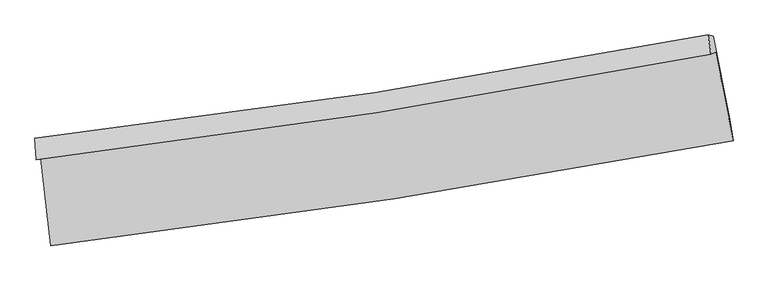
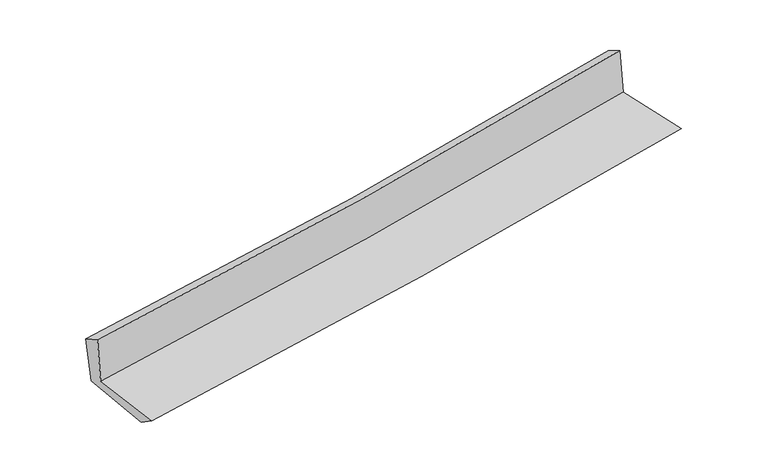
"""IFC4 building model written with IfcOpenShell, lengths in millimetres: proxy geometry."""

from ifc_helpers import new_model, si_unit, frame, origin, place, context, project, spatial, source, transform, mapped, element, save
from ifc_brep_helpers import plane_surface, spline_curve, spline_surface, advanced_brep


def generic_models_9a024622(model_context):
    return source(origin(), model_context, "Body", "AdvancedBrep", [
        advanced_brep(
        [(-2601.9483423, -1885.1328107, 1643.2743327), (-2527.4813604, -2553.0558136, 1647.0188636), (2677.6975013, -1751.7791515, 2105.9408541), (2543.7266323, -1077.672603, 2091.5672693), (-2636.2819098, -1897.9762403, 2051.9807037), (2508.8698923, -1090.7117398, 2506.5014791), (-2647.1898946, -1733.7244921, 1966.4605876), (2486.8322566, -944.3346375, 2425.2824735), (-2610.3154686, -1751.1302164, 1567.4255011), (2525.0012596, -954.8180262, 2025.9372716), (-2535.6854063, -2398.67224, 1543.2308134), (2653.9834461, -1588.9835278, 2006.8039482)],
        [
            (0, 1),
            (1, 2, spline_curve(3, [(-2527.4813604, -2553.0558136, 1647.0188636), (-1652.448674706, -2448.140230282, 1726.004429498), (-779.331136097, -2328.563382921, 1803.898705327), (955.696186463, -2061.223906509, 1956.854297921), (1817.638268419, -1913.708533281, 2031.934019207), (2677.6975013, -1751.7791515, 2105.9408541)], [4, 2, 4], [0.0, 8.66209826107237, 17.25084469305735])),
            (2, 3),
            (3, 0, spline_curve(3, [(2543.7266323, -1077.672603, 2091.5672693), (1694.651359996, -1241.799375189, 2017.461456548), (843.141188231, -1390.929038351, 1943.210274112), (-872.042035132, -1660.339698904, 1793.781788649), (-1735.756855298, -1780.363438692, 1718.601992384), (-2601.9483423, -1885.1328107, 1643.2743327)], [4, 2, 4], [0.0, 8.58874643198498, 17.25084469305735])),
            (4, 0),
            (3, 5),
            (5, 4, spline_curve(3, [(2508.8698923, -1090.7117398, 2506.5014791), (1660.263966169, -1254.662940103, 2426.808575141), (809.032693221, -1403.688273238, 2349.237386523), (-905.97287271, -1673.032476033, 2197.694065606), (-1769.792200481, -1793.095309876, 2123.758329328), (-2636.2819098, -1897.9762403, 2051.9807037)], [4, 2, 4], [0.0, 8.54102153776372, 17.154987312155107])),
            (6, 4),
            (5, 7),
            (7, 6, spline_curve(3, [(2486.8322566, -944.3346375, 2425.2824735), (1640.369918958, -1106.98804835, 2343.241817201), (791.134597848, -1253.884814367, 2264.136376374), (-920.158551676, -1517.285053143, 2111.14539761), (-1782.263947726, -1633.518238725, 2037.310209708), (-2647.1898946, -1733.7244921, 1966.4605876)], [4, 2, 4], [0.0, 8.530254397400018, 17.133361075116504])),
            (8, 6),
            (7, 9),
            (9, 8, spline_curve(3, [(2525.0012596, -954.8180262, 2025.9372716), (1678.113901669, -1120.540976636, 1950.507156982), (828.558201193, -1269.551004447, 1874.746664963), (-883.168269132, -1535.275092236, 1721.915075355), (-1745.384811211, -1651.702461282, 1644.838310609), (-2610.3154686, -1751.1302164, 1567.4255011)], [4, 2, 4], [0.0, 8.521429209909712, 17.11563532899185])),
            (10, 8),
            (9, 11),
            (11, 10, spline_curve(3, [(2653.9834461, -1588.9835278, 2006.8039482), (1798.474554936, -1762.261310574, 1930.323169493), (940.098850797, -1916.170066974, 1853.616910815), (-789.741589837, -2186.398557954, 1699.09640029), (-1661.255502932, -2302.386038901, 1621.27828092), (-2535.6854063, -2398.67224, 1543.2308134)], [4, 2, 4], [0.0, 8.569460044668599, 17.21210720384169])),
            (1, 10),
            (11, 2),
        ],
        [
            spline_surface(3, 3, [[(-2601.9483423, -1885.1328107, 1643.2743327), (-1735.756855247, -1780.363438596, 1718.601992459), (-872.042035272, -1660.33969904, 1793.781788782), (843.14118837, -1390.929038216, 1943.21027398), (1694.651359893, -1241.799375226, 2017.461456557), (2543.7266323, -1077.672603, 2091.5672693)], [(-2577.126014984, -2107.773811652, 1644.522509669), (-1707.987461719, -2002.955702508, 1721.069471486), (-841.138402194, -1883.080927027, 1797.154094255), (880.659521047, -1614.360660973, 1947.758281952), (1735.646996022, -1465.769094536, 2022.285644076), (2588.383588623, -1302.374785835, 2096.358464249)], [(-2552.303687716, -2330.414812648, 1645.770686631), (-1680.218068239, -2225.547966464, 1723.536950504), (-810.234769114, -2105.822154985, 1800.526399803), (918.177853726, -1837.792283702, 1952.30629), (1776.642632182, -1689.738813841, 2027.109831548), (2633.040544977, -1527.076968665, 2101.149659151)], [(-2527.4813604, -2553.0558136, 1647.0188636), (-1652.448674711, -2448.140230377, 1726.00442953), (-779.331136036, -2328.563382972, 1803.898705276), (955.696186403, -2061.22390646, 1956.854297972), (1817.638268312, -1913.708533152, 2031.934019067), (2677.6975013, -1751.7791515, 2105.9408541)]], [4, 4], [4, 2, 4], [0.0, 2.221671884957408], [0.0, 8.66209826107237, 17.25084469305735]),
            spline_surface(3, 3, [[(-2636.2819098, -1897.9762403, 2051.9807037), (-1769.792200498, -1793.095309838, 2123.75832943), (-905.972872697, -1673.03247613, 2197.694065697), (809.032693209, -1403.688273142, 2349.237386433), (1660.26396606, -1254.662939987, 2426.80857528), (2508.8698923, -1090.7117398, 2506.5014791)], [(-2624.8373873, -1893.695097117, 1915.745246719), (-1758.447085414, -1788.851352774, 1988.706217125), (-894.662593559, -1668.801550424, 2063.056640065), (820.402191592, -1399.435194825, 2213.895015622), (1671.726430665, -1250.375085059, 2290.359535697), (2520.488805627, -1086.365360859, 2368.190075825)], [(-2613.3928648, -1889.413953883, 1779.509789681), (-1747.10197033, -1784.60739566, 1853.654104764), (-883.35231441, -1664.570624745, 1928.419214413), (831.771689987, -1395.182116533, 2078.552644791), (1683.188895288, -1246.087230154, 2153.910496139), (2532.107718973, -1082.018981941, 2229.878672575)], [(-2601.9483423, -1885.1328107, 1643.2743327), (-1735.756855247, -1780.363438596, 1718.601992459), (-872.042035272, -1660.33969904, 1793.781788782), (843.14118837, -1390.929038216, 1943.21027398), (1694.651359893, -1241.799375226, 2017.461456557), (2543.7266323, -1077.672603, 2091.5672693)]], [4, 4], [4, 2, 4], [0.0, 1.3339448870321868], [0.0, 8.613965774391387, 17.154987312155107]),
            spline_surface(3, 3, [[(-2647.1898946, -1733.7244921, 1966.4605876), (-1782.263947833, -1633.518238717, 2037.310209682), (-920.158551776, -1517.285053129, 2111.145397543), (791.134597948, -1253.884814381, 2264.13637644), (1640.369918933, -1106.988048439, 2343.241817214), (2486.8322566, -944.3346375, 2425.2824735)], [(-2643.553899669, -1788.475074822, 1994.967292962), (-1778.106698724, -1686.710595746, 2066.126249594), (-915.429992107, -1569.200860779, 2139.994953588), (797.100629677, -1303.819300617, 2292.503379764), (1647.001267985, -1156.213012294, 2371.097403243), (2494.178135176, -993.127004939, 2452.355475374)], [(-2639.917904731, -1843.225657578, 2023.473998338), (-1773.949449607, -1739.902952808, 2094.942289519), (-910.701432366, -1621.11666848, 2168.844509652), (803.066661479, -1353.753786906, 2320.870383109), (1653.632617008, -1205.437976132, 2398.952989251), (2501.524013724, -1041.919372361, 2479.428477226)], [(-2636.2819098, -1897.9762403, 2051.9807037), (-1769.792200498, -1793.095309838, 2123.75832943), (-905.972872697, -1673.03247613, 2197.694065697), (809.032693209, -1403.688273142, 2349.237386433), (1660.26396606, -1254.662939987, 2426.80857528), (2508.8698923, -1090.7117398, 2506.5014791)]], [4, 4], [4, 2, 4], [0.0, 0.5773892384676846], [0.0, 8.603106677716486, 17.133361075116504]),
            spline_surface(3, 3, [[(-2610.3154686, -1751.1302164, 1567.4255011), (-1745.384811284, -1651.702461233, 1644.838310525), (-883.16826916, -1535.275092254, 1721.915075371), (828.558201221, -1269.551004429, 1874.746664947), (1678.113901802, -1120.540976728, 1950.507156958), (2525.0012596, -954.8180262, 2025.9372716)], [(-2622.606943925, -1745.328308293, 1700.437196592), (-1757.677856791, -1645.641053721, 1775.662276903), (-895.498363357, -1529.278412559, 1851.658516113), (816.083666805, -1264.328941093, 2004.543235462), (1665.532574185, -1116.023333983, 2081.41871038), (2512.278258606, -951.323563317, 2159.052338903)], [(-2634.898419275, -1739.526400207, 1833.448892108), (-1769.970902325, -1639.579646229, 1906.486243304), (-907.828457579, -1523.281732824, 1981.401956802), (803.609132364, -1259.106877716, 2134.339805925), (1652.95124655, -1111.505691185, 2212.330263793), (2499.555257594, -947.829100383, 2292.167406197)], [(-2647.1898946, -1733.7244921, 1966.4605876), (-1782.263947833, -1633.518238717, 2037.310209682), (-920.158551776, -1517.285053129, 2111.145397543), (791.134597948, -1253.884814381, 2264.13637644), (1640.369918933, -1106.988048439, 2343.241817214), (2486.8322566, -944.3346375, 2425.2824735)]], [4, 4], [4, 2, 4], [0.0, 1.2842702538148167], [0.0, 8.594206119082138, 17.11563532899185]),
            spline_surface(3, 3, [[(-2535.6854063, -2398.67224, 1543.2308134), (-1661.255503038, -2302.386038907, 1621.278280925), (-789.741589804, -2186.398557905, 1699.09640035), (940.098850764, -1916.170067023, 1853.616910756), (1798.474554996, -1762.261310623, 1930.323169608), (2653.9834461, -1588.9835278, 2006.8039482)], [(-2560.56209376, -2182.824898813, 1551.295709289), (-1689.298605813, -2085.491513028, 1629.131624114), (-820.883816243, -1969.357402689, 1706.702625335), (902.918634262, -1700.630379493, 1860.660162132), (1758.354337252, -1548.354532643, 1937.051165374), (2610.989383921, -1377.595027252, 2013.181722649)], [(-2585.43878114, -1966.977557587, 1559.360605211), (-1717.341708509, -1868.596987112, 1636.984967336), (-852.026042721, -1752.316247469, 1714.308850385), (865.738417723, -1485.090691959, 1867.703413571), (1718.234119545, -1334.447754708, 1943.779161192), (2567.995321779, -1166.206526748, 2019.559497151)], [(-2610.3154686, -1751.1302164, 1567.4255011), (-1745.384811284, -1651.702461233, 1644.838310525), (-883.16826916, -1535.275092254, 1721.915075371), (828.558201221, -1269.551004429, 1874.746664947), (1678.113901802, -1120.540976728, 1950.507156958), (2525.0012596, -954.8180262, 2025.9372716)]], [4, 4], [4, 2, 4], [0.0, 2.1564601113127657], [0.0, 8.642647159173091, 17.21210720384169]),
            spline_surface(3, 3, [[(-2527.4813604, -2553.0558136, 1647.0188636), (-1652.448674711, -2448.140230377, 1726.00442953), (-779.331136036, -2328.563382972, 1803.898705276), (955.696186403, -2061.22390646, 1956.854297972), (1817.638268312, -1913.708533152, 2031.934019067), (2677.6975013, -1751.7791515, 2105.9408541)], [(-2530.216042363, -2501.594622403, 1612.422846868), (-1655.384284149, -2399.555499889, 1691.09571333), (-782.801287285, -2281.175107951, 1768.964603662), (950.49707453, -2012.872626648, 1922.441835595), (1811.250363885, -1863.226125639, 1998.063735914), (2669.792816246, -1697.513943597, 2072.8952188)], [(-2532.950724337, -2450.133431197, 1577.826830132), (-1658.3198936, -2350.970769394, 1656.186997125), (-786.271438555, -2233.786832926, 1734.030501963), (945.297962636, -1964.521346834, 1888.029373133), (1804.862459422, -1812.743718135, 1964.193452762), (2661.888131154, -1643.248735703, 2039.8495835)], [(-2535.6854063, -2398.67224, 1543.2308134), (-1661.255503038, -2302.386038907, 1621.278280925), (-789.741589804, -2186.398557905, 1699.09640035), (940.098850764, -1916.170067023, 1853.616910756), (1798.474554996, -1762.261310623, 1930.323169608), (2653.9834461, -1588.9835278, 2006.8039482)]], [4, 4], [4, 2, 4], [0.0, 0.5833091848123346], [0.0, 8.699649048997637, 17.325628283715965]),
            plane_surface(frame((2566.0184981, -1234.7166143, 2193.672216), z_axis=(0.9766341305416679, 0.19597538202354514, 0.08820104705640483), x_axis=(-0.09511289444843267, 0.02612343420186036, 0.9951236624134422))),
            plane_surface(frame((-2593.150397, -2036.6153022, 1736.5651337), z_axis=(-0.9900503481215989, -0.11086687852356425, -0.08665358290770603), x_axis=(-0.11080212423327834, 0.9938268693681612, -0.005571623396558889))),
        ],
        [
            (0, [[1, 2, 3, 4]]),
            (1, [[5, -4, 6, 7]]),
            (2, [[8, -7, 9, 10]]),
            (3, [[11, -10, 12, 13]]),
            (4, [[14, -13, 15, 16]]),
            (5, [[17, -16, 18, -2]]),
            (6, [[-12, -9, -6, -3, -18, -15]]),
            (7, [[-1, -5, -8, -11, -14, -17]]),
        ],
    ),
    ])


if __name__ == "__main__":
    model = new_model("IFC4")
    model_context = context("Model", 3, world=origin())
    ifc_project = project(units=[si_unit("LENGTHUNIT", "METRE", prefix="MILLI")], contexts=[model_context])
    site = spatial("IfcSite", under=ifc_project)
    building = spatial("IfcBuilding", under=site)
    placement = place(None, origin())
    generic_models_shape = generic_models_9a024622(model_context)
    element("IfcBuildingElementProxy", 1, Name="Generic Models", at=placement, inside=building, context=model_context, shape_type="MappedRepresentation", body=[
        mapped(generic_models_shape, transform((0.0, 0.0, 0.0), x_axis=(1.0, 0.0, 0.0), y_axis=(0.0, 1.0, 0.0), z_axis=(0.0, 0.0, 1.0))),
    ])
    save(model, "model.ifc")
